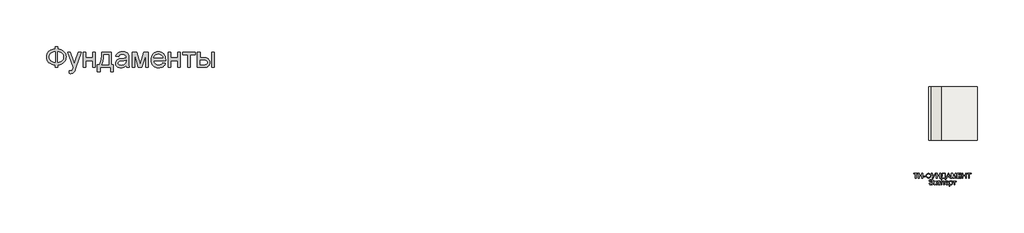
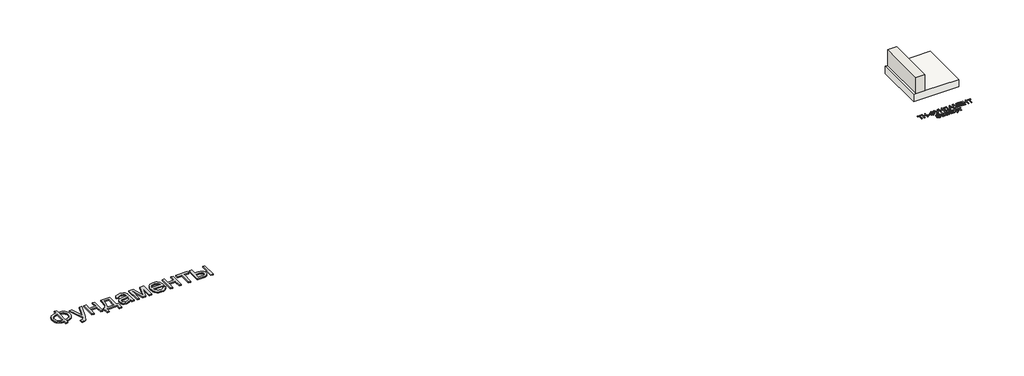
# One storey: 2 proxies, 1 slab, 1 wall.
"""IFC4 building model written with IfcOpenShell, lengths in millimetres."""

from ifc_helpers import new_model, si_unit, origin, origin_with_axes, place, context, project, spatial, polyline, outline, extrude, faceted_brep, element, save

model = new_model("IFC4")

# Units and contexts
model_context = context("Model", 3, world=origin())
ifc_project = project(units=[si_unit("LENGTHUNIT", "METRE", prefix="MILLI")], contexts=[model_context])

# Site, building, storey
site = spatial("IfcSite", under=ifc_project)
building = spatial("IfcBuilding", under=site)
storey = spatial("IfcBuildingStorey", under=building, Elevation=0.0)

# Proxies
placement = place(None, origin())
element("IfcBuildingElementProxy", 1, Name="Generic Models", at=placement, inside=storey, context=model_context, shape_type="SweptSolid", body=[
    extrude(outline(polyline([(-1939.8736325, -26885.7211043), (-1939.8736325, -26787.7817103), (-1841.9342386, -26787.7817103), (-1841.9342386, -26885.7211043), (-1772.0723186, -26894.3529698), (-1709.9695132, -26912.2144755), (-1655.6258224, -26939.3056213), (-1609.0412461, -26975.6264073), (-1571.6743546, -27019.0607113), (-1544.9837177, -27067.4924111), (-1528.9693356, -27120.9215067), (-1523.6312083, -27179.3479982), (-1528.8019587, -27236.6028514), (-1544.3142102, -27289.3863505), (-1570.1679625, -27337.6984954), (-1606.3632158, -27381.5392861), (-1628.1416397, -27401.1761824), (-1652.1109076, -27418.4817577), (-1706.6219753, -27446.0989452), (-1769.896419, -27464.3908486), (-1841.9342386, -27473.3574679), (-1841.9342386, -27571.2968619), (-1939.8736325, -27571.2968619), (-1939.8736325, -27473.3574679), (-2005.3060425, -27466.0586398), (-2065.0237272, -27449.518216), (-2119.0266865, -27423.7361966), (-2167.3149204, -27388.7125816), (-2207.0669327, -27345.8939854), (-2222.6837947, -27322.10405), (-2235.4612272, -27296.7270228), (-2245.3992303, -27269.7629041), (-2252.4978039, -27241.2116938), (-2258.1766628, -27179.3479982), (-2252.5157371, -27117.2033486), (-2245.4395801, -27088.5878775), (-2235.5329602, -27061.6103088), (-2222.7958774, -27036.2706426), (-2207.2283318, -27012.5688789), (-2188.8303234, -26990.5050176), (-2167.6018522, -26970.0790588), (-2119.4032845, -26935.3961753), (-2065.382392, -26909.775555), (-2005.5391746, -26893.217198), (-1939.8736325, -26885.7211043)]), holes=[polyline([(-1841.9342386, -26983.6604982), (-1841.9342386, -27375.418074), (-1793.3949393, -27370.2234125), (-1750.3073446, -27359.2303372), (-1712.6714545, -27342.4388481), (-1680.4872689, -27319.8489452), (-1654.7112272, -27291.9627591), (-1636.2997689, -27259.2824206), (-1625.2528939, -27221.8079296), (-1621.5706022, -27179.5392861), (-1625.1871387, -27137.922217), (-1636.036748, -27100.872146), (-1654.1194303, -27068.389073), (-1679.4351855, -27040.4729982), (-1711.2905951, -27017.6977852), (-1748.9922405, -27000.6372975), (-1792.5401216, -26989.2915352), (-1841.9342386, -26983.6604982)]), polyline([(-1939.8736325, -26983.6604982), (-1986.781007, -26988.5861611), (-2028.989873, -26999.3461043), (-2066.5002305, -27015.9403278), (-2099.3120795, -27038.3688316), (-2125.9668498, -27066.2012179), (-2145.0059715, -27099.0070891), (-2156.4294445, -27136.7864452), (-2160.2372689, -27179.5392861), (-2156.4772665, -27221.9035735), (-2145.1972594, -27259.4737085), (-2126.3972476, -27292.2496909), (-2100.077231, -27320.231521), (-2067.5044919, -27342.8692459), (-2029.9463124, -27359.612913), (-1987.4026926, -27370.4625224), (-1939.8736325, -27375.418074), (-1939.8736325, -26983.6604982)])]), origin_with_axes(), (0.0, 0.0, 1.0), 40.0),
    extrude(outline(polyline([(-1401.2069658, -27791.6604982), (-1413.4493901, -27697.355574), (-1386.764731, -27703.8115399), (-1363.7145416, -27705.9635285), (-1337.5559242, -27703.2615872), (-1317.2315871, -27695.1557634), (-1301.4025151, -27682.2199206), (-1288.7296931, -27665.0279225), (-1261.9493901, -27592.9123922), (-1254.2978749, -27569.1926952), (-1462.4190871, -26995.9029225), (-1359.1236325, -26995.9029225), (-1248.7505264, -27315.35368), (-1210.3016628, -27443.1339831), (-1171.8527992, -27330.2741346), (-1058.4190871, -26995.9029225), (-955.888784, -26995.9029225), (-1156.1671931, -27585.0695891), (-1185.9124583, -27663.4019755), (-1208.1974961, -27712.8498922), (-1234.8343333, -27753.6420323), (-1265.0099961, -27781.9048164), (-1300.0634999, -27798.403396), (-1341.3338598, -27803.9029225), (-1369.6922878, -27800.8423164), (-1401.2069658, -27791.6604982)])), origin_with_axes(), (0.0, 0.0, 1.0), 40.0),
    extrude(outline(polyline([(-874.7827234, -26995.9029225), (-776.8433295, -26995.9029225), (-776.8433295, -27216.2665588), (-519.7524204, -27216.2665588), (-519.7524204, -26995.9029225), (-421.8130264, -26995.9029225), (-421.8130264, -27571.2968619), (-519.7524204, -27571.2968619), (-519.7524204, -27314.2059528), (-776.8433295, -27314.2059528), (-776.8433295, -27571.2968619), (-874.7827234, -27571.2968619), (-874.7827234, -26995.9029225)])), origin_with_axes(), (0.0, 0.0, 1.0), 40.0),
    extrude(outline(polyline([(-189.2069658, -26995.9029225), (178.0657614, -26995.9029225), (178.0657614, -27473.3574679), (251.5203069, -27473.3574679), (251.5203069, -27730.448377), (153.5809129, -27730.448377), (153.5809129, -27571.2968619), (-250.4190871, -27571.2968619), (-250.4190871, -27730.448377), (-348.358481, -27730.448377), (-348.358481, -27473.3574679), (-287.1463598, -27473.3574679), (-263.2293972, -27436.3970631), (-242.648017, -27392.9448259), (-225.4022192, -27343.0007563), (-211.4920037, -27286.5648543), (-200.9173707, -27223.6371199), (-193.67832, -27154.2175531), (-189.7748517, -27078.306154), (-189.2069658, -26995.9029225)]), holes=[polyline([(-103.5099961, -27093.8423164), (-111.5440871, -27213.7559054), (-126.4645416, -27316.979627), (-148.2713598, -27403.5134812), (-161.7571552, -27440.521708), (-176.9645416, -27473.3574679), (80.1263675, -27473.3574679), (80.1263675, -27093.8423164), (-103.5099961, -27093.8423164)])]), origin_with_axes(), (0.0, 0.0, 1.0), 40.0),
    extrude(outline(polyline([(728.9748523, -27497.8423164), (682.181055, -27537.964949), (658.2640924, -27552.8256261), (634.0004205, -27564.2192103), (583.3330436, -27578.7092672), (529.079019, -27583.5392861), (485.4713604, -27580.6341014), (447.2317179, -27571.9185475), (414.3600914, -27557.3926242), (386.8564811, -27537.0563316), (365.1393291, -27512.2008628), (349.6270777, -27484.1174111), (340.3197269, -27452.8059764), (337.2172766, -27418.2665588), (341.9038296, -27377.6657066), (355.9634887, -27340.7949679), (377.650752, -27309.2324679), (405.2201175, -27284.5563316), (437.619502, -27265.9057634), (473.796822, -27252.4199679), (558.5373523, -27237.6908013), (658.6765569, -27222.1964831), (728.4009887, -27204.0241346), (728.9748523, -27182.2173164), (727.2891279, -27158.4737085), (722.2319546, -27138.5080361), (713.8033325, -27122.3202994), (702.0032614, -27109.9104982), (681.6071914, -27097.5246081), (656.7636781, -27088.6775437), (627.4727217, -27083.369305), (593.734322, -27081.5998922), (535.391519, -27086.3103562), (512.8195493, -27092.1984362), (494.6472008, -27100.4417482), (479.7147908, -27111.6858888), (466.8626364, -27126.5764547), (456.0907378, -27145.1134457), (447.3990948, -27167.2968619), (349.4597008, -27155.0544376), (366.4604111, -27101.4938316), (378.0990829, -27079.0175058), (391.829966, -27059.4104982), (408.2448571, -27042.2782776), (427.9355531, -27027.2263126), (450.902054, -27014.2546033), (477.1443599, -27003.3631497), (537.3283088, -26988.5861611), (606.359322, -26983.6604982), (672.5688391, -26988.0122975), (725.0534508, -27001.0676952), (764.6261307, -27020.6986138), (792.0998523, -27044.7769755), (810.3200228, -27074.5461516), (822.1320493, -27111.2495134), (825.718697, -27145.1074679), (826.9142463, -27196.9464831), (826.9142463, -27318.7968619), (828.1576175, -27424.9377236), (831.8877311, -27488.94743), (839.2523145, -27531.0068524), (851.3990948, -27571.2968619), (753.4597008, -27571.2968619), (737.7740948, -27537.2476194), (728.9748523, -27497.8423164)]), holes=[polyline([(728.9748523, -27301.9635285), (663.171822, -27318.2708202), (570.9710645, -27331.9957255), (520.1602217, -27339.5037747), (486.7087539, -27347.8726194), (464.7823807, -27358.7282066), (448.546822, -27373.6964831), (438.5042084, -27391.6297217), (435.1566705, -27411.3801952), (436.9798831, -27426.599537), (442.4495209, -27440.5037747), (451.5655839, -27453.0929083), (464.328072, -27464.3669376), (480.6174305, -27473.6563552), (500.3141042, -27480.2916535), (549.9293978, -27485.5998922), (602.5335645, -27479.7417009), (626.5401932, -27472.4189618), (649.016519, -27462.167127), (686.7002311, -27436.2715304), (712.9066705, -27405.450271), (724.5274092, -27373.6964831), (728.4009887, -27329.700271), (728.9748523, -27301.9635285)])]), origin_with_axes(), (0.0, 0.0, 1.0), 40.0),
    extrude(outline(polyline([(961.5809129, -26995.9029225), (1130.1055342, -26995.9029225), (1259.9900039, -27456.5241346), (1400.0127311, -26995.9029225), (1561.4597008, -26995.9029225), (1561.4597008, -27571.2968619), (1463.5203069, -27571.2968619), (1463.5203069, -27107.9976194), (1322.7324281, -27571.2968619), (1194.1869736, -27571.2968619), (1059.5203069, -27085.8082255), (1059.5203069, -27571.2968619), (961.5809129, -27571.2968619), (961.5809129, -26995.9029225)])), origin_with_axes(), (0.0, 0.0, 1.0), 40.0),
    extrude(outline(polyline([(2111.2210645, -27399.9029225), (2207.2475796, -27412.1453467), (2192.5243907, -27450.6061658), (2172.6483845, -27484.4999869), (2147.6195611, -27513.8268098), (2117.4379205, -27538.5866346), (2082.4143055, -27558.2534196), (2042.8595588, -27572.3011232), (1998.7736805, -27580.7297454), (1950.1566705, -27583.5392861), (1889.3869025, -27578.6913339), (1835.2404773, -27564.1474774), (1787.717395, -27539.9077165), (1746.8176554, -27505.9720513), (1713.9280957, -27463.2849656), (1690.4355531, -27412.7909433), (1676.3400275, -27354.4899845), (1671.641519, -27288.3820891), (1676.3878495, -27220.0325389), (1690.626841, -27159.7888126), (1714.3584934, -27107.6509102), (1747.5828069, -27063.6188316), (1788.374947, -27028.6370607), (1834.8100796, -27003.6500816), (1886.8882046, -26988.6578941), (1944.609322, -26983.6604982), (2000.4713604, -26988.6459386), (2050.9892936, -27003.6022596), (2096.1631218, -27028.5294613), (2135.9928448, -27063.4275437), (2168.5058064, -27107.3639783), (2191.7293504, -27159.4062369), (2205.6634769, -27219.5543192), (2210.3081857, -27287.8082255), (2209.734322, -27314.2059528), (1769.5809129, -27314.2059528), (1775.2537941, -27353.2884575), (1786.5338012, -27387.5170323), (1803.4209343, -27416.8916772), (1825.9151932, -27441.4123922), (1852.773207, -27460.7444234), (1882.7516042, -27474.5530172), (1915.850385, -27482.8381734), (1952.0695493, -27485.5998922), (2004.1954963, -27480.4829414), (2048.0960645, -27465.1320891), (2066.9618315, -27453.3798401), (2083.7712539, -27438.590896), (2098.5243315, -27420.7652567), (2111.2210645, -27399.9029225)]), holes=[polyline([(1769.5809129, -27216.2665588), (2112.3687917, -27216.2665588), (2107.3355294, -27188.5537274), (2099.1221061, -27164.5231876), (2087.7285218, -27144.1749395), (2073.1547766, -27127.5089831), (2046.4462065, -27107.4237558), (2016.0553448, -27093.0771649), (1981.9821914, -27084.4692103), (1944.2267463, -27081.5998922), (1909.7889504, -27083.889369), (1878.2085171, -27090.7577994), (1849.4854466, -27102.2051834), (1823.6197387, -27118.231521), (1801.9145422, -27138.0955716), (1785.6730057, -27161.0560948), (1774.8951293, -27187.1130906), (1769.5809129, -27216.2665588)])]), origin_with_axes(), (0.0, 0.0, 1.0), 40.0),
    extrude(outline(polyline([(2308.2475796, -26995.9029225), (2406.1869736, -26995.9029225), (2406.1869736, -27216.2665588), (2663.2778826, -27216.2665588), (2663.2778826, -26995.9029225), (2761.2172766, -26995.9029225), (2761.2172766, -27571.2968619), (2663.2778826, -27571.2968619), (2663.2778826, -27314.2059528), (2406.1869736, -27314.2059528), (2406.1869736, -27571.2968619), (2308.2475796, -27571.2968619), (2308.2475796, -26995.9029225)])), origin_with_axes(), (0.0, 0.0, 1.0), 40.0),
    extrude(outline(polyline([(2859.1566705, -26995.9029225), (3324.3687917, -26995.9029225), (3324.3687917, -27093.8423164), (3140.7324281, -27093.8423164), (3140.7324281, -27571.2968619), (3042.7930342, -27571.2968619), (3042.7930342, -27093.8423164), (2859.1566705, -27093.8423164), (2859.1566705, -26995.9029225)])), origin_with_axes(), (0.0, 0.0, 1.0), 40.0),
    extrude(outline(polyline([(3948.7324281, -26995.9029225), (4046.671822, -26995.9029225), (4046.671822, -27571.2968619), (3948.7324281, -27571.2968619), (3948.7324281, -26995.9029225)])), origin_with_axes(), (0.0, 0.0, 1.0), 40.0),
    extrude(outline(polyline([(3410.0657614, -26995.9029225), (3508.0051554, -26995.9029225), (3508.0051554, -27204.0241346), (3629.0903826, -27204.0241346), (3684.8089551, -27207.0907184), (3733.7487633, -27216.2904698), (3775.9098074, -27231.6233888), (3811.2920872, -27253.0894755), (3839.2858727, -27279.9474892), (3859.2814338, -27311.4561895), (3871.2787704, -27347.6155763), (3875.2778826, -27388.4256497), (3871.924367, -27424.8361019), (3861.8638201, -27458.5087463), (3845.096242, -27489.443583), (3821.6216326, -27517.6406119), (3790.7824399, -27541.1152212), (3751.9211118, -27557.8827994), (3705.0376483, -27567.9433462), (3650.1320493, -27571.2968619), (3410.0657614, -27571.2968619), (3410.0657614, -26995.9029225)]), holes=[polyline([(3508.0051554, -27473.3574679), (3608.6225796, -27473.3574679), (3686.6202122, -27468.2166062), (3715.8274802, -27461.790529), (3738.5070493, -27452.794021), (3755.495804, -27441.0716606), (3767.6306289, -27426.4680266), (3774.9115237, -27408.983119), (3777.3384887, -27388.6169376), (3775.5391871, -27372.1542245), (3770.1412823, -27356.6240399), (3761.1447742, -27342.0263836), (3748.5496629, -27328.3612558), (3729.8094286, -27316.8122501), (3702.3775512, -27308.5629603), (3666.2540308, -27303.6133865), (3621.4388675, -27301.9635285), (3508.0051554, -27301.9635285), (3508.0051554, -27473.3574679)])]), origin_with_axes(), (0.0, 0.0, 1.0), 40.0),
])
element("IfcBuildingElementProxy", 2, Name="Generic Models", at=placement, inside=storey, context=model_context, shape_type="SweptSolid", body=[
    extrude(outline(polyline([(30375.0763011, -31739.9059698), (30375.0763011, -31567.5982775), (30310.4609165, -31567.5982775), (30310.4609165, -31542.9828929), (30464.3070703, -31542.9828929), (30464.3070703, -31567.5982775), (30399.6916857, -31567.5982775), (30399.6916857, -31739.9059698), (30375.0763011, -31739.9059698)])), origin_with_axes(), (0.0, 0.0, 1.0), 20.0),
    extrude(outline(polyline([(30491.999378, -31739.9059698), (30491.999378, -31542.9828929), (30516.6147626, -31542.9828929), (30516.6147626, -31622.9828929), (30621.2301472, -31622.9828929), (30621.2301472, -31542.9828929), (30645.8455319, -31542.9828929), (30645.8455319, -31739.9059698), (30621.2301472, -31739.9059698), (30621.2301472, -31647.5982775), (30516.6147626, -31647.5982775), (30516.6147626, -31739.9059698), (30491.999378, -31739.9059698)])), origin_with_axes(), (0.0, 0.0, 1.0), 20.0),
    extrude(outline(polyline([(30673.5378396, -31681.4444313), (30673.5378396, -31656.8290467), (30750.4609165, -31656.8290467), (30750.4609165, -31681.4444313), (30673.5378396, -31681.4444313)])), origin_with_axes(), (0.0, 0.0, 1.0), 20.0),
    extrude(outline(polyline([(30851.999378, -31567.5982775), (30851.999378, -31542.9828929), (30876.6147626, -31542.9828929), (30876.6147626, -31567.5982775), (30909.7818299, -31574.2569313), (30935.1484165, -31590.1944313), (30951.2481761, -31613.2833737), (30956.6147626, -31641.3963544), (30951.4164453, -31669.0526044), (30935.8214934, -31692.2136621), (30910.6231761, -31708.4396237), (30876.6147626, -31715.2905852), (30876.6147626, -31739.9059698), (30851.999378, -31739.9059698), (30851.999378, -31715.2905852), (30820.5450511, -31709.2989987), (30794.8359165, -31694.0165467), (30784.8449309, -31683.254828), (30777.7085126, -31670.8975563), (30771.999378, -31641.3963544), (30777.6904838, -31611.8050083), (30784.804366, -31599.4792871), (30794.7638011, -31588.8002006), (30820.4549069, -31573.6439506), (30851.999378, -31567.5982775)]), holes=[polyline([(30851.999378, -31592.2136621), (30829.6015415, -31596.1559698), (30811.9272626, -31605.9636621), (30800.4428876, -31621.2040467), (30796.6147626, -31641.4444313), (30800.3948107, -31661.5345756), (30811.7349549, -31676.8050083), (30829.3611569, -31686.7028448), (30851.999378, -31690.6752006), (30851.999378, -31592.2136621)]), polyline([(30876.6147626, -31592.2136621), (30876.6147626, -31690.6752006), (30899.6436088, -31686.606691), (30917.1916857, -31676.7088544), (30928.2974549, -31661.4864987), (30931.999378, -31641.4444313), (30928.3635607, -31621.6727967), (30917.4561088, -31606.4925083), (30899.9741376, -31596.480489), (30876.6147626, -31592.2136621)])]), origin_with_axes(), (0.0, 0.0, 1.0), 20.0),
    extrude(outline(polyline([(30976.6147626, -31542.9828929), (31003.874378, -31542.9828929), (31062.7686088, -31659.6175083), (31115.749378, -31542.9828929), (31142.7686088, -31542.9828929), (31068.0089934, -31696.3963544), (31047.6724549, -31734.0886621), (31038.0210126, -31740.7593352), (31024.9320703, -31742.9828929), (31002.7686088, -31739.9059698), (31002.7686088, -31718.3675083), (31022.1436088, -31718.3675083), (31036.5186088, -31712.886739), (31049.8359165, -31687.934816), (30976.6147626, -31542.9828929)])), origin_with_axes(), (0.0, 0.0, 1.0), 20.0),
    extrude(outline(polyline([(31165.8455319, -31739.9059698), (31165.8455319, -31542.9828929), (31190.4609165, -31542.9828929), (31190.4609165, -31622.9828929), (31295.0763011, -31622.9828929), (31295.0763011, -31542.9828929), (31319.6916857, -31542.9828929), (31319.6916857, -31739.9059698), (31295.0763011, -31739.9059698), (31295.0763011, -31647.5982775), (31190.4609165, -31647.5982775), (31190.4609165, -31739.9059698), (31165.8455319, -31739.9059698)])), origin_with_axes(), (0.0, 0.0, 1.0), 20.0),
    extrude(outline(polyline([(31381.2301472, -31542.9828929), (31498.1532242, -31542.9828929), (31498.1532242, -31715.2905852), (31516.6147626, -31715.2905852), (31516.6147626, -31786.059816), (31491.999378, -31786.059816), (31491.999378, -31739.9059698), (31365.8455319, -31739.9059698), (31365.8455319, -31786.059816), (31341.2301472, -31786.059816), (31341.2301472, -31715.2905852), (31356.6147626, -31715.2905852), (31367.3839934, -31692.9618592), (31375.0763011, -31661.5526044), (31379.6916857, -31621.0628208), (31381.2301472, -31571.4925083), (31381.2301472, -31542.9828929)]), holes=[polyline([(31473.5378396, -31567.5982775), (31405.8455319, -31567.5982775), (31405.8455319, -31577.5021237), (31400.8455319, -31644.9540467), (31393.4416857, -31683.9324121), (31381.2301472, -31715.2905852), (31473.5378396, -31715.2905852), (31473.5378396, -31567.5982775)])]), origin_with_axes(), (0.0, 0.0, 1.0), 20.0),
    extrude(outline(polyline([(31524.4513011, -31739.9059698), (31603.0570703, -31542.9828929), (31624.0186088, -31542.9828929), (31702.624378, -31739.9059698), (31676.6147626, -31739.9059698), (31654.0666857, -31678.3675083), (31572.9609165, -31678.3675083), (31550.4609165, -31739.9059698), (31524.4513011, -31739.9059698)]), holes=[polyline([(31581.999378, -31653.7521237), (31645.0763011, -31653.7521237), (31627.3359165, -31605.3386621), (31613.5378396, -31567.5982775), (31601.2782242, -31601.1078929), (31581.999378, -31653.7521237)])]), origin_with_axes(), (0.0, 0.0, 1.0), 20.0),
    extrude(outline(polyline([(31728.9224549, -31739.9059698), (31728.9224549, -31542.9828929), (31771.2782242, -31542.9828929), (31811.5666857, -31681.7809698), (31819.6916857, -31710.7713544), (31828.4897626, -31679.3771237), (31868.1051472, -31542.9828929), (31910.4609165, -31542.9828929), (31910.4609165, -31739.9059698), (31885.8455319, -31739.9059698), (31885.8455319, -31567.5982775), (31836.374378, -31739.9059698), (31803.0089934, -31739.9059698), (31753.5378396, -31567.5982775), (31753.5378396, -31739.9059698), (31728.9224549, -31739.9059698)])), origin_with_axes(), (0.0, 0.0, 1.0), 20.0),
    extrude(outline(polyline([(31953.5378396, -31739.9059698), (31953.5378396, -31542.9828929), (32095.0763011, -31542.9828929), (32095.0763011, -31567.5982775), (31978.1532242, -31567.5982775), (31978.1532242, -31626.059816), (32088.9224549, -31626.059816), (32088.9224549, -31650.6752006), (31978.1532242, -31650.6752006), (31978.1532242, -31715.2905852), (32098.1532242, -31715.2905852), (32098.1532242, -31739.9059698), (31953.5378396, -31739.9059698)])), origin_with_axes(), (0.0, 0.0, 1.0), 20.0),
    extrude(outline(polyline([(32135.0763011, -31739.9059698), (32135.0763011, -31542.9828929), (32159.6916857, -31542.9828929), (32159.6916857, -31622.9828929), (32264.3070703, -31622.9828929), (32264.3070703, -31542.9828929), (32288.9224549, -31542.9828929), (32288.9224549, -31739.9059698), (32264.3070703, -31739.9059698), (32264.3070703, -31647.5982775), (32159.6916857, -31647.5982775), (32159.6916857, -31739.9059698), (32135.0763011, -31739.9059698)])), origin_with_axes(), (0.0, 0.0, 1.0), 20.0),
    extrude(outline(polyline([(32381.2301472, -31739.9059698), (32381.2301472, -31567.5982775), (32316.6147626, -31567.5982775), (32316.6147626, -31542.9828929), (32470.4609165, -31542.9828929), (32470.4609165, -31567.5982775), (32405.8455319, -31567.5982775), (32405.8455319, -31739.9059698), (32381.2301472, -31739.9059698)])), origin_with_axes(), (0.0, 0.0, 1.0), 20.0),
    extrude(outline(polyline([(30961.2301472, -31869.136739), (31035.0763011, -31869.136739), (31029.655628, -31843.746114), (31016.6628396, -31824.2088544), (30996.686878, -31811.7509217), (30970.3166857, -31807.5982775), (30950.4398828, -31810.0982775), (30934.6075511, -31817.5982775), (30922.8196905, -31830.0982775), (30915.0763011, -31847.5982775), (30890.4609165, -31841.4444313), (30900.9897626, -31816.949239), (30918.1532242, -31798.4636621), (30941.1219742, -31786.8530852), (30969.0666857, -31782.9828929), (30995.905628, -31786.5345756), (31018.7301472, -31797.1896237), (31036.8611569, -31813.3675083), (31049.6195703, -31833.4877006), (31057.1736569, -31856.7509217), (31059.6916857, -31882.3578929), (31058.9254597, -31903.411078), (31055.1363972, -31922.7244794), (31048.3244982, -31940.2980972), (31038.4897626, -31956.1319313), (31025.656229, -31969.2253809), (31009.8479357, -31978.5778448), (30991.0648828, -31984.1893232), (30969.3070703, -31986.059816), (30939.8479357, -31982.0213544), (30916.374378, -31969.9059698), (30898.8863972, -31949.7136621), (30887.3839934, -31921.4444313), (30911.999378, -31915.2905852), (30920.3166857, -31935.4828929), (30933.1051472, -31949.9059698), (30950.3647626, -31958.559816), (30972.0955319, -31961.4444313), (30996.6388011, -31956.9131813), (31016.3263011, -31943.3194313), (31029.6436088, -31921.8651044), (31035.0763011, -31893.7521237), (30961.2301472, -31893.7521237), (30961.2301472, -31869.136739)])), origin_with_axes(), (0.0, 0.0, 1.0), 20.0),
    extrude(outline(polyline([(31090.4609165, -31838.3675083), (31115.0763011, -31838.3675083), (31115.0763011, -31899.9059698), (31131.5666857, -31895.4828929), (31145.0763011, -31869.7136621), (31156.3022626, -31847.4780852), (31166.2061088, -31840.2425083), (31184.2109165, -31838.3675083), (31188.9224549, -31838.3675083), (31188.9224549, -31863.1271237), (31182.2878396, -31862.9828929), (31170.2686088, -31865.5790467), (31161.8070703, -31881.7809698), (31151.8791857, -31899.3050083), (31137.9609165, -31907.886739), (31153.4897626, -31917.466066), (31168.7301472, -31937.6463544), (31195.0763011, -31982.9828929), (31167.0955319, -31982.9828929), (31141.2782242, -31938.6078929), (31128.2974549, -31919.8338544), (31115.0763011, -31915.2905852), (31115.0763011, -31982.9828929), (31090.4609165, -31982.9828929), (31090.4609165, -31838.3675083)])), origin_with_axes(), (0.0, 0.0, 1.0), 20.0),
    extrude(outline(polyline([(31302.7686088, -31930.6752006), (31327.3839934, -31933.7521237), (31320.5210126, -31955.6451525), (31307.624378, -31972.1896237), (31289.9080319, -31982.5922679), (31268.5859165, -31986.059816), (31242.4020222, -31981.2220756), (31221.9272626, -31966.7088544), (31208.7121184, -31943.1571717), (31204.3070703, -31911.2040467), (31206.1880799, -31889.2989987), (31211.8311088, -31870.3146237), (31221.3263011, -31854.9840948), (31234.7638011, -31844.0405852), (31250.8395222, -31837.4780852), (31268.249378, -31835.2905852), (31289.0486569, -31838.2953929), (31305.6772626, -31847.309816), (31317.6063492, -31861.8530852), (31324.3070703, -31881.4444313), (31299.6916857, -31884.5213544), (31295.2265415, -31873.7821717), (31288.2734165, -31866.0838544), (31279.2169261, -31861.450441), (31268.4416857, -31859.9059698), (31252.5342338, -31862.9468352), (31239.9080319, -31872.0694313), (31231.6688492, -31887.7665467), (31228.9224549, -31910.5309698), (31231.608753, -31933.6018833), (31239.6676472, -31949.3530852), (31252.0654838, -31958.4215948), (31267.7686088, -31961.4444313), (31280.515003, -31959.5574121), (31290.9657242, -31953.8963544), (31298.5678876, -31944.3170275), (31302.7686088, -31930.6752006)])), origin_with_axes(), (0.0, 0.0, 1.0), 20.0),
    extrude(outline(polyline([(31348.9224549, -31838.3675083), (31459.6916857, -31838.3675083), (31459.6916857, -31982.9828929), (31435.0763011, -31982.9828929), (31435.0763011, -31862.9828929), (31373.5378396, -31862.9828929), (31373.5378396, -31982.9828929), (31348.9224549, -31982.9828929), (31348.9224549, -31838.3675083)])), origin_with_axes(), (0.0, 0.0, 1.0), 20.0),
    extrude(outline(polyline([(31597.8647626, -31939.9059698), (31621.999378, -31942.9828929), (31613.3034646, -31961.167989), (31599.4272626, -31974.761739), (31580.6832722, -31983.2352967), (31557.3839934, -31986.059816), (31528.5017819, -31981.1860179), (31506.2782242, -31966.5646237), (31492.1075511, -31943.1451525), (31487.3839934, -31911.8771237), (31492.155628, -31879.5574121), (31506.4705319, -31855.386739), (31528.3936088, -31840.3146237), (31555.9897626, -31835.2905852), (31582.7265415, -31840.3026044), (31604.0907242, -31855.3386621), (31618.0991376, -31879.4612583), (31622.7686088, -31911.7328929), (31622.624378, -31918.3675083), (31511.999378, -31918.3675083), (31516.2601953, -31936.792989), (31526.1580319, -31950.3386621), (31540.4428876, -31958.667989), (31557.8647626, -31961.4444313), (31581.999378, -31956.3002006), (31590.9657242, -31949.6295275), (31597.8647626, -31939.9059698)]), holes=[polyline([(31511.999378, -31893.7521237), (31598.1532242, -31893.7521237), (31594.8238972, -31880.747316), (31588.2974549, -31871.4444313), (31573.9464934, -31862.7905852), (31555.8936088, -31859.9059698), (31539.3010607, -31862.2076525), (31525.5811088, -31869.1127006), (31516.0438492, -31879.8759217), (31511.999378, -31893.7521237)])]), origin_with_axes(), (0.0, 0.0, 1.0), 20.0),
    extrude(outline(polyline([(31647.3839934, -32038.3675083), (31647.3839934, -31838.3675083), (31671.999378, -31838.3675083), (31671.999378, -31862.5021237), (31689.0186088, -31842.0934698), (31699.499378, -31836.9913063), (31711.999378, -31835.2905852), (31728.6460126, -31837.6703929), (31743.2013011, -31844.809816), (31755.0522626, -31856.2761621), (31763.5859165, -31871.636739), (31768.7421665, -31889.7737583), (31770.4609165, -31909.5694313), (31768.5198107, -31930.621114), (31762.6964934, -31949.449239), (31753.1772626, -31965.0982775), (31740.1484165, -31976.6127006), (31724.9741376, -31983.6980371), (31709.0186088, -31986.059816), (31697.702503, -31984.4792871), (31687.6003396, -31979.7377006), (31671.999378, -31963.7521237), (31671.999378, -32038.3675083), (31647.3839934, -32038.3675083)]), holes=[polyline([(31671.999378, -31911.8290467), (31674.6616376, -31933.8963544), (31682.6484165, -31949.3290467), (31694.4332722, -31958.4155852), (31708.4897626, -31961.4444313), (31722.7746184, -31958.3074121), (31734.8599549, -31948.8963544), (31743.0991376, -31932.8987583), (31745.8455319, -31910.0021237), (31743.1652434, -31888.0550083), (31735.124378, -31872.4059698), (31723.3575511, -31863.0309698), (31709.499378, -31859.9059698), (31695.5871184, -31863.2292871), (31683.3695703, -31873.199239), (31674.8419261, -31889.5033256), (31671.999378, -31911.8290467)])]), origin_with_axes(), (0.0, 0.0, 1.0), 20.0),
    extrude(outline(polyline([(31785.8455319, -31838.3675083), (31902.7686088, -31838.3675083), (31902.7686088, -31862.9828929), (31856.6147626, -31862.9828929), (31856.6147626, -31982.9828929), (31831.999378, -31982.9828929), (31831.999378, -31862.9828929), (31785.8455319, -31862.9828929), (31785.8455319, -31838.3675083)])), origin_with_axes(), (0.0, 0.0, 1.0), 20.0),
])

# Slab
element("IfcSlab", 3, at=placement, inside=storey, context=model_context, shape_type="Brep", body=[
    faceted_brep([(30881.3955952, -28302.6148653, -308.0), (32706.3955952, -28302.6148653, -308.0), (32706.3955952, -30302.6148653, -308.0), (30881.3955952, -30302.6148653, -308.0), (30881.3955952, -28302.6148653, 0.0), (30881.3955952, -30302.6148653, 0.0), (30978.8955952, -30302.6148653, 0.0), (31344.8955952, -30302.6148653, 0.0), (32706.3955952, -30302.6148653, 0.0), (32706.3955952, -28302.6148653, 0.0), (31344.8955952, -28302.6148653, 0.0), (30978.8955952, -28302.6148653, 0.0)], [[[0, 1, 2, 3]], [[4, 5, 6, 7, 8, 9, 10, 11]], [[1, 0, 4, 11, 10, 9]], [[2, 1, 9, 8]], [[3, 2, 8, 7, 6, 5]], [[0, 3, 5, 4]]]),
])

# Wall
element("IfcWall", 4, at=placement, inside=storey, context=model_context, shape_type="SweptSolid", body=[
    extrude(outline(polyline([(30978.8955952, -30302.6148653), (30978.8955952, -28302.6148653), (31344.8955952, -28302.6148653), (31344.8955952, -30302.6148653), (30978.8955952, -30302.6148653)])), origin_with_axes(), (0.0, 0.0, 1.0), 689.0),
])

save(model, "model.ifc")
